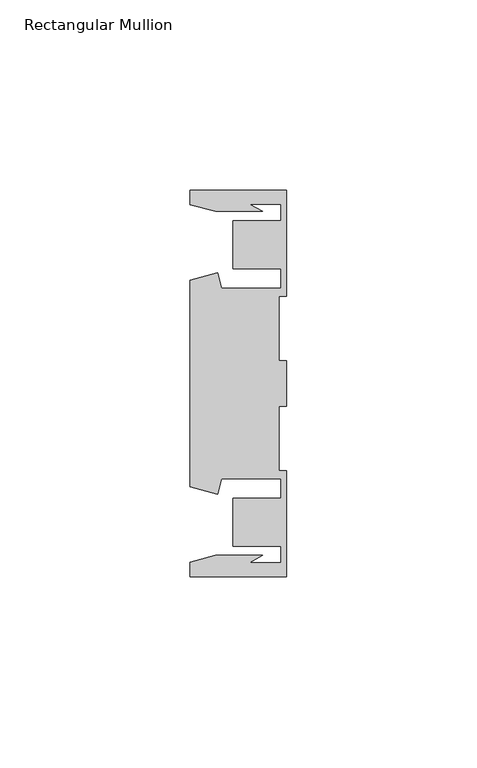
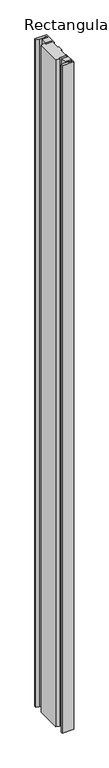
"""IFC4 building model written with IfcOpenShell, lengths in millimetres: member geometry, Rectangular Mullion."""

from ifc_helpers import new_model, si_unit, frame, origin, place, context, project, spatial, polyline, outline, extrude, source, transform, mapped, element, save


def rectangular_mullion_4ab6fedc(model_context):
    return source(origin(), model_context, "Body", "SweptSolid", [
        extrude(outline(polyline([(-25.4, 50.7954622), (0.0, 50.7954622), (0.0, 22.9938072), (-2.0000011, 22.9938072), (-2.0000011, 6.0000032), (0.0, 6.0000032), (0.0, -6.0000032), (-2.0000011, -6.0000032), (-2.0000011, -22.9938072), (0.0, -22.9938072), (0.0, -50.7954622), (-25.4, -50.7954622), (-25.4, -46.9998463), (-18.7113002, -45.2076146), (-6.3834869, -45.2076146), (-9.7005662, -47.1227313), (-1.4138425, -47.1227313), (-1.4138425, -42.8128906), (-14.1138425, -42.8128906), (-14.1138425, -30.1128906), (-1.4138425, -30.1128906), (-1.4138425, -25.0120132), (-17.1094033, -25.0120132), (-18.2017212, -29.0885993), (-25.4, -27.1598263), (-25.4, 27.1598263), (-18.2017212, 29.0885993), (-17.1094033, 25.0120132), (-1.4138425, 25.0120132), (-1.4138425, 30.1128906), (-14.1138425, 30.1128906), (-14.1138425, 42.8128906), (-1.4138425, 42.8128906), (-1.4138425, 47.1227313), (-9.7005662, 47.1227313), (-6.3834869, 45.2076146), (-18.7113002, 45.2076146), (-25.4, 46.9998463), (-25.4, 50.7954622)])), frame((0.0, 0.0, -1524.0), z_axis=(0.0, 0.0, 1.0), x_axis=(1.0, 0.0, 0.0)), (0.0, 0.0, 1.0), 1524.0),
    ])


if __name__ == "__main__":
    model = new_model("IFC4")
    model_context = context("Model", 3, world=origin())
    ifc_project = project(units=[si_unit("LENGTHUNIT", "METRE", prefix="MILLI")], contexts=[model_context])
    site = spatial("IfcSite", under=ifc_project)
    building = spatial("IfcBuilding", under=site)
    placement = place(None, origin())
    rectangular_mullion_shape = rectangular_mullion_4ab6fedc(model_context)
    element("IfcMember", 1, ObjectType="Rectangular Mullion", at=placement, inside=building, context=model_context, shape_type="MappedRepresentation", body=[
        mapped(rectangular_mullion_shape, transform((0.0, 0.0, 0.0), x_axis=(1.0, 0.0, 0.0), y_axis=(0.0, 1.0, 0.0), z_axis=(0.0, 0.0, 1.0))),
    ])
    save(model, "model.ifc")
